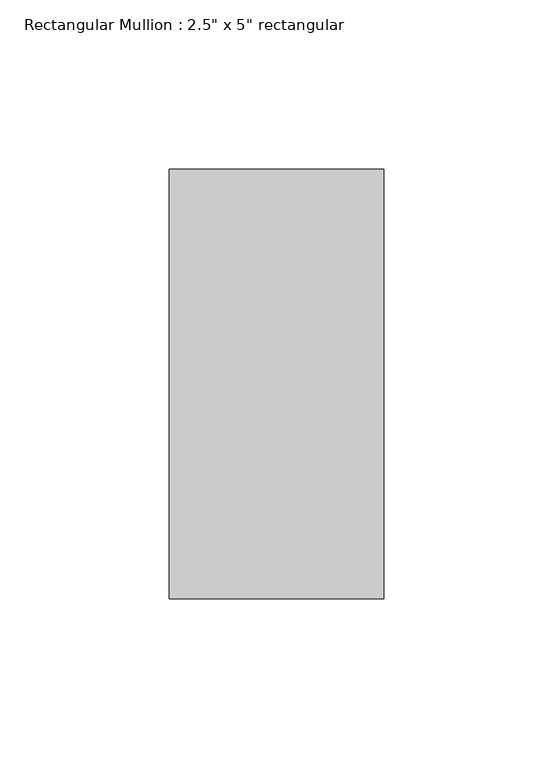
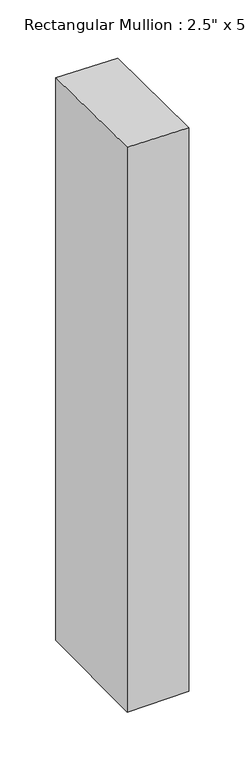
"""IFC4 building model written with IfcOpenShell, lengths in millimetres: member geometry."""

from ifc_helpers import new_model, si_unit, origin, place, context, project, spatial, faceted_brep, source, transform, mapped, element, save


def member_a797ec63(model_context):
    return source(origin(), model_context, "Body", "Brep", [
        faceted_brep([(-63.5, 63.5, 0.2289437), (0.0, 63.5, -0.7541732), (0.0, 63.5, -612.2315082), (-63.5, 63.5, -612.7981563), (-63.5, -63.5, 1.7372902), (-63.5, -63.5, -614.2990019), (0.0, -63.5, 0.7541732), (0.0, -63.5, -613.7323538)], [[[0, 1, 2, 3]], [[4, 0, 3, 5]], [[6, 4, 5, 7]], [[1, 6, 7, 2]], [[1, 0, 4, 6]], [[2, 7, 5, 3]]]),
    ])


if __name__ == "__main__":
    model = new_model("IFC4")
    model_context = context("Model", 3, world=origin())
    ifc_project = project(units=[si_unit("LENGTHUNIT", "METRE", prefix="MILLI")], contexts=[model_context])
    site = spatial("IfcSite", under=ifc_project)
    building = spatial("IfcBuilding", under=site)
    placement = place(None, origin())
    member_shape = member_a797ec63(model_context)
    element("IfcMember", 1, ObjectType="Rectangular Mullion : 2.5\" x 5\" rectangular", at=placement, inside=building, context=model_context, shape_type="MappedRepresentation", body=[
        mapped(member_shape, transform((0.0, 0.0, 0.0), x_axis=(1.0, 0.0, 0.0), y_axis=(0.0, 1.0, 0.0), z_axis=(0.0, 0.0, 1.0))),
    ])
    save(model, "model.ifc")
